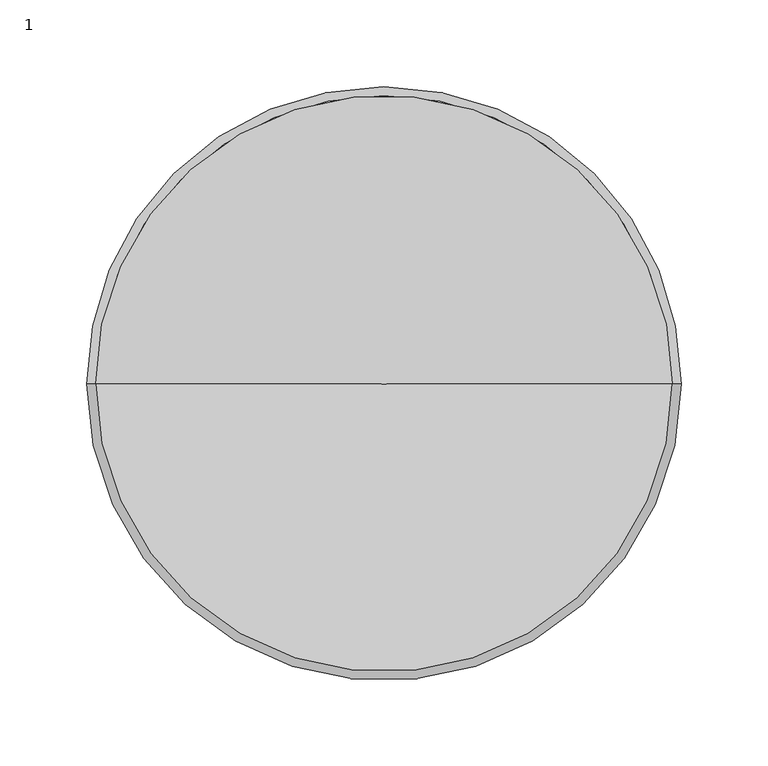
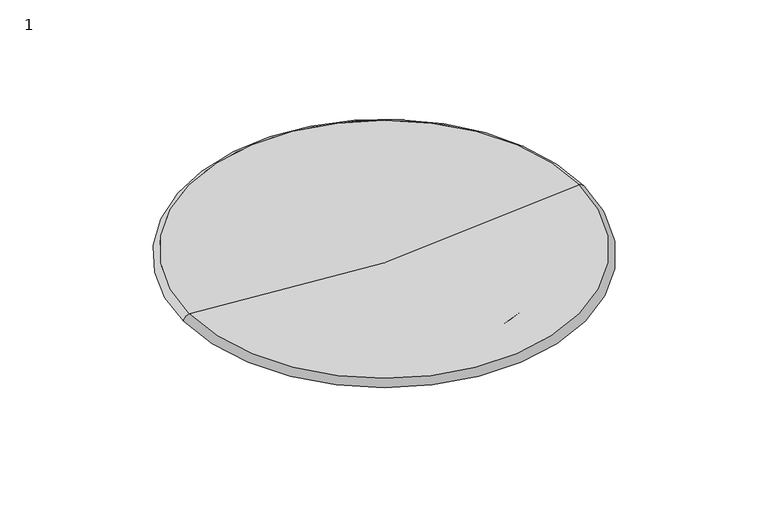
"""IFC4 building model written with IfcOpenShell, lengths in millimetres: furniture geometry, 1."""

from ifc_helpers import new_model, si_unit, point, frame, origin, place, context, project, spatial, polyline, circle_curve, ellipse_curve, trimmed, source, transform, mapped, element, save
from ifc_brep_helpers import revolved_surface, advanced_brep


def furniture_1_75a22ca3(model_context):
    return source(origin(), model_context, "Body", "AdvancedBrep", [
        advanced_brep(
        [(0.0, 0.0, 747.0), (166.0, 0.0, 759.0524385), (-166.0, 0.0, 759.0524385), (171.0, 0.0, 754.0524385), (-171.0, 0.0, 754.0524385), (149.2717099, 0.0, 754.0352658), (-149.2717099, 0.0, 754.0352658), (149.0857522, 0.0, 743.381756), (-149.0857522, 0.0, 743.381756), (143.3042965, 0.0, 738.469018), (-143.3042965, 0.0, 738.469018), (119.8410574, 0.0, 738.4695427), (-119.8410574, 0.0, 738.4695427), (114.9142478, 0.0, 743.381756), (-114.9142478, 0.0, 743.381756), (114.7854243, 0.0, 750.7620508), (-114.7854243, 0.0, 750.7620508), (0.0, 0.0, 745.0006092)],
        [
            (0, 1, circle_curve(frame((-2.4401982, 0.0, 1929.806577), z_axis=(0.0, -0.9999999999999999, 0.0), x_axis=(0.9999999999999999, 0.0, 0.0)), 1182.8090941)),
            (1, 2, circle_curve(frame((0.0, 0.0, 759.0524385), z_axis=(0.0, 0.0, 1.0), x_axis=(0.9999999999999999, 0.0, 0.0)), 166.0)),
            (2, 0, circle_curve(frame((2.4401982, 0.0, 1929.806577), z_axis=(0.0, -0.9999999999999999, 0.0), x_axis=(-0.9999999999999999, 0.0, 0.0)), 1182.8090941)),
            (3, 1, circle_curve(frame((165.4177567, 0.0, 753.4701952), z_axis=(0.0, -1.0, 0.0), x_axis=(1.0, 0.0, 0.0)), 5.612526)),
            (1, 2, circle_curve(frame((0.0, 0.0, 759.0524385), z_axis=(0.0, 0.0, -1.0), x_axis=(1.0, 0.0, 0.0)), 166.0)),
            (2, 4, circle_curve(frame((-165.4177567, 0.0, 753.4701952), z_axis=(0.0, -1.0, 0.0), x_axis=(-1.0, 0.0, 0.0)), 5.612526)),
            (4, 3, circle_curve(frame((0.0, 0.0, 754.0524385), z_axis=(0.0, 0.0, 1.0), x_axis=(1.0, 0.0, 0.0)), 171.0)),
            (5, 3),
            (4, 6),
            (6, 5, circle_curve(frame((0.0, 0.0, 754.0352658), z_axis=(0.0, 0.0, 1.0), x_axis=(1.0, 0.0, 0.0)), 149.2717099)),
            (7, 5),
            (6, 8),
            (8, 7, circle_curve(frame((0.0, 0.0, 743.381756), z_axis=(0.0, 0.0, 1.0), x_axis=(1.0, 0.0, 0.0)), 149.0857522)),
            (9, 7, circle_curve(frame((143.8473451, 0.0, 743.6882055), z_axis=(0.0, -1.0, 0.0), x_axis=(1.0, 0.0, 0.0)), 5.2473631)),
            (8, 10, circle_curve(frame((-143.8473451, 0.0, 743.6882055), z_axis=(0.0, -1.0, 0.0), x_axis=(-1.0, 0.0, 0.0)), 5.2473631)),
            (10, 9, circle_curve(frame((0.0, 0.0, 738.469018), z_axis=(0.0, 0.0, 1.0), x_axis=(1.0, 0.0, 0.0)), 143.3042965)),
            (9, 11),
            (11, 12, circle_curve(frame((0.0, 0.0, 738.4695427), z_axis=(0.0, 0.0, 1.0), x_axis=(1.0, 0.0, 0.0)), 119.8410574)),
            (12, 10),
            (10, 9, circle_curve(frame((0.0, 0.0, 738.469018), z_axis=(0.0, 0.0, -1.0), x_axis=(1.0, 0.0, 0.0)), 143.3042965)),
            (13, 11, circle_curve(frame((120.1787296, 0.0, 743.7350495), z_axis=(0.0, -1.0, 0.0), x_axis=(1.0, 0.0, 0.0)), 5.276323)),
            (11, 12, circle_curve(frame((0.0, 0.0, 738.4695427), z_axis=(0.0, 0.0, -1.0), x_axis=(1.0, 0.0, 0.0)), 119.8410574)),
            (12, 14, circle_curve(frame((-120.1787296, 0.0, 743.7350495), z_axis=(0.0, -1.0, 0.0), x_axis=(-1.0, 0.0, 0.0)), 5.276323)),
            (14, 13, circle_curve(frame((0.0, 0.0, 743.381756), z_axis=(0.0, 0.0, 1.0), x_axis=(1.0, 0.0, 0.0)), 114.9142478)),
            (13, 15),
            (15, 16, circle_curve(frame((0.0, 0.0, 750.7620508), z_axis=(0.0, 0.0, 1.0), x_axis=(1.0, 0.0, 0.0)), 114.7854243)),
            (16, 14),
            (14, 13, circle_curve(frame((0.0, 0.0, 743.381756), z_axis=(0.0, 0.0, -1.0), x_axis=(1.0, 0.0, 0.0)), 114.9142478)),
            (17, 15, circle_curve(frame((-5.7433616, 0.0, 2005.743777), z_axis=(0.0, -1.0, 0.0), x_axis=(1.0, 0.0, 0.0)), 1260.7562498)),
            (15, 16, circle_curve(frame((0.0, 0.0, 750.7620508), z_axis=(0.0, 0.0, -1.0), x_axis=(1.0, 0.0, 0.0)), 114.7854243)),
            (16, 17, circle_curve(frame((5.7433616, 0.0, 2005.743777), z_axis=(0.0, -1.0, 0.0), x_axis=(-1.0, 0.0, 0.0)), 1260.7562498)),
            (8, 7, circle_curve(frame((0.0, 0.0, 743.381756), z_axis=(0.0, 0.0, -1.0), x_axis=(1.0, 0.0, 0.0)), 149.0857522)),
            (6, 5, circle_curve(frame((0.0, 0.0, 754.0352658), z_axis=(0.0, 0.0, -1.0), x_axis=(1.0, 0.0, 0.0)), 149.2717099)),
            (4, 3, circle_curve(frame((0.0, 0.0, 754.0524385), z_axis=(0.0, 0.0, -1.0), x_axis=(1.0, 0.0, 0.0)), 171.0)),
        ],
        [
            revolved_surface(trimmed(ellipse_curve(frame((-2.4401982, 0.0, 1929.806577), z_axis=(0.0, 0.9999999999999999, 0.0), x_axis=(0.9999999999999999, 0.0, 0.0)), 1182.8090941, 1182.8090941), [point((166.0, 0.0, 759.0524385))], [point((0.0, 0.0, 747.0))], True, "CARTESIAN"), (0.0, 0.0, 1929.806577), (0.0, 0.0, 1.0)),
            revolved_surface(trimmed(ellipse_curve(frame((165.4177567, 0.0, 753.4701952), z_axis=(0.0, -1.0, 0.0), x_axis=(1.0, 0.0, 0.0)), 5.612526, 5.612526), [point((171.0, 0.0, 754.0524385))], [point((166.0, 0.0, 759.0524385))], True, "CARTESIAN"), (0.0, 0.0, 753.4701952), (0.0, 0.0, 1.0)),
            revolved_surface(polyline([(149.27173395098896, 0.0, 754.0352658), (171.0, 0.0, 754.0524385)]), (0.0, 0.0, 753.9172905), (0.0, 0.0, 1.0)),
            revolved_surface(polyline([(149.08575219467912, 0.0, 743.3817559999998), (149.2717099, 0.0, 754.0352658000002)]), (0.0, 0.0, -7797.7352647), (0.0, 0.0, 1.0)),
            revolved_surface(trimmed(ellipse_curve(frame((143.8473451, 0.0, 743.6882055), z_axis=(0.0, -1.0, 0.0), x_axis=(1.0, 0.0, 0.0)), 5.2473631, 5.2473631), [point((143.3042965, 0.0, 738.469018))], [point((149.0857522, 0.0, 743.381756))], True, "CARTESIAN"), (0.0, 0.0, 743.6882055), (0.0, 0.0, 1.0)),
            revolved_surface(polyline([(143.3042965, 0.0, 738.469018), (119.83767007938383, 0.0, 738.4695427)]), (0.0, 0.0, 738.4722222), (0.0, 0.0, -1.0)),
            revolved_surface(trimmed(ellipse_curve(frame((120.1787296, 0.0, 743.7350495), z_axis=(0.0, -1.0, 0.0), x_axis=(1.0, 0.0, 0.0)), 5.276323, 5.276323), [point((114.9142478, 0.0, 743.381756))], [point((119.8410574, 0.0, 738.4695427))], True, "CARTESIAN"), (0.0, 0.0, 743.7350495), (0.0, 0.0, 1.0)),
            revolved_surface(polyline([(114.9142478, 0.0, 743.3817559999998), (114.78542427512573, 0.0, 750.7620508)]), (0.0, 0.0, 7326.8146058), (0.0, 0.0, -1.0)),
            revolved_surface(trimmed(ellipse_curve(frame((-5.7433616, 0.0, 2005.743777), z_axis=(0.0, -1.0, 0.0), x_axis=(1.0, 0.0, 0.0)), 1260.7562498, 1260.7562498), [point((0.0, 0.0, 745.0006092))], [point((114.7854243, 0.0, 750.7620508))], True, "CARTESIAN"), (0.0, 0.0, 2005.743777), (0.0, 0.0, 1.0)),
        ],
        [
            (0, [[1, 2, 3]]),
            (1, [[4, 5, 6, 7]]),
            (2, [[8, -7, 9, 10]]),
            (3, [[11, -10, 12, 13]]),
            (4, [[14, -13, 15, 16]]),
            (5, [[17, 18, 19, 20]]),
            (6, [[21, 22, 23, 24]]),
            (7, [[25, 26, 27, 28]]),
            (8, [[29, 30, 31]]),
            (8, [[-29, -31, -26]]),
            (7, [[-25, -24, -27, -30]]),
            (6, [[-21, -28, -23, -18]]),
            (5, [[-17, -16, -19, -22]]),
            (4, [[-14, -20, -15, 32]]),
            (3, [[-11, -32, -12, 33]]),
            (2, [[-8, -33, -9, 34]]),
            (1, [[-4, -34, -6, -2]]),
            (0, [[-1, -3, -5]]),
        ],
    ),
    ])


if __name__ == "__main__":
    model = new_model("IFC4")
    model_context = context("Model", 3, world=origin())
    ifc_project = project(units=[si_unit("LENGTHUNIT", "METRE", prefix="MILLI")], contexts=[model_context])
    site = spatial("IfcSite", under=ifc_project)
    building = spatial("IfcBuilding", under=site)
    placement = place(None, origin())
    furniture_1_shape = furniture_1_75a22ca3(model_context)
    element("IfcFurniture", 1, ObjectType="1", at=placement, inside=building, context=model_context, shape_type="MappedRepresentation", body=[
        mapped(furniture_1_shape, transform((0.0, 0.0, 0.0), x_axis=(1.0, 0.0, 0.0), y_axis=(0.0, 1.0, 0.0), z_axis=(0.0, 0.0, 1.0))),
    ])
    save(model, "model.ifc")
